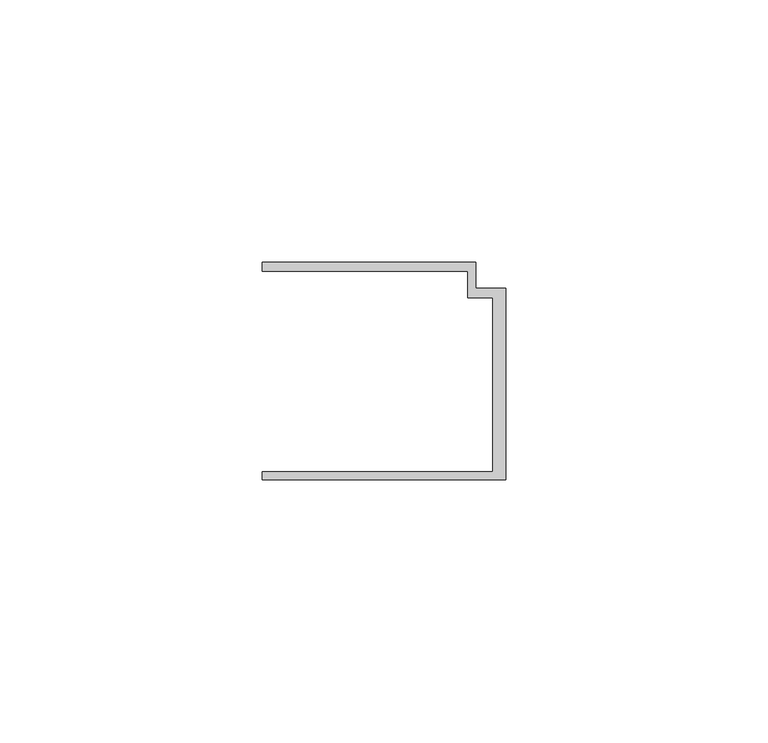
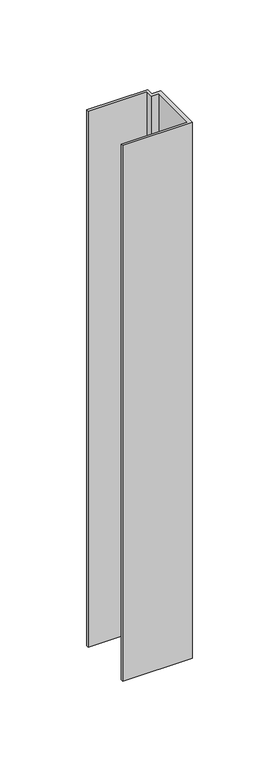
"""IFC4 building model written with IfcOpenShell, lengths in millimetres: member geometry."""

from ifc_helpers import new_model, si_unit, frame, origin, place, context, project, spatial, polyline, outline, extrude, source, transform, mapped, element, save


def member_399de968(model_context):
    return source(origin(), model_context, "Body", "SweptSolid", [
        extrude(outline(polyline([(-46.3, -19.2), (-2.4, -19.2), (-2.4, 14.0), (-7.2, 14.0), (-7.2, 19.0), (-46.3, 19.0), (-46.3, 20.7), (-5.6999992, 20.7), (-5.6999992, 15.8), (0.0, 15.8), (0.0, -20.7), (-46.3, -20.7), (-46.3, -19.2)])), frame((0.0, 0.0, -377.0620075), z_axis=(0.0, 0.0, 1.0), x_axis=(1.0, 0.0, 0.0)), (0.0, 0.0, 1.0), 377.0620075),
    ])


if __name__ == "__main__":
    model = new_model("IFC4")
    model_context = context("Model", 3, world=origin())
    ifc_project = project(units=[si_unit("LENGTHUNIT", "METRE", prefix="MILLI")], contexts=[model_context])
    site = spatial("IfcSite", under=ifc_project)
    building = spatial("IfcBuilding", under=site)
    placement = place(None, origin())
    member_shape = member_399de968(model_context)
    element("IfcMember", 1, at=placement, inside=building, context=model_context, shape_type="MappedRepresentation", body=[
        mapped(member_shape, transform((0.0, 0.0, 0.0), x_axis=(1.0, 0.0, 0.0), y_axis=(0.0, 1.0, 0.0), z_axis=(0.0, 0.0, 1.0))),
    ])
    save(model, "model.ifc")
